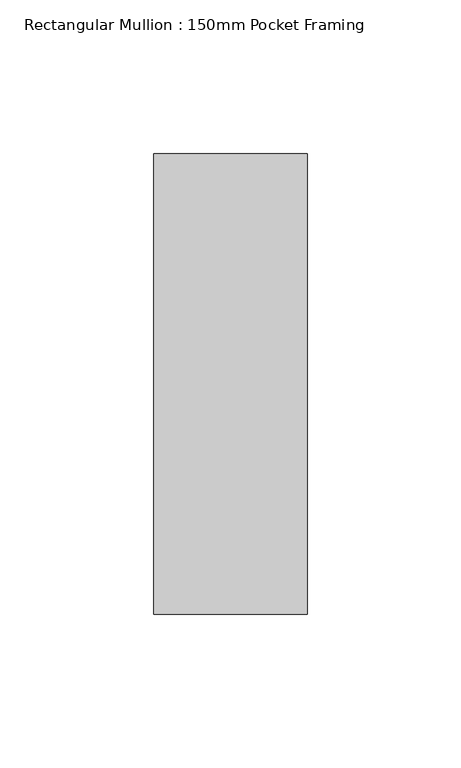
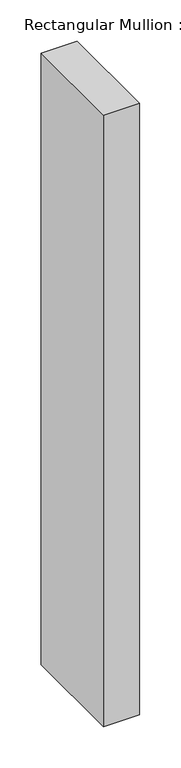
"""IFC4 building model written with IfcOpenShell, lengths in millimetres: member geometry, Rectangular Mullion : 150mm Pocket Framing."""

from ifc_helpers import new_model, si_unit, frame, origin, place, context, project, spatial, polyline, outline, extrude, source, transform, mapped, element, save


def rectangular_mullion_150mm_pocket_framing_35d6a770(model_context):
    return source(origin(), model_context, "Body", "SweptSolid", [
        extrude(outline(polyline([(0.0, 75.0), (0.0, -75.0), (-50.0, -75.0), (-50.0, 75.0), (0.0, 75.0)])), frame((0.0, 0.0, -900.0), z_axis=(0.0, 0.0, 1.0), x_axis=(1.0, 0.0, 0.0)), (0.0, 0.0, 1.0), 900.0),
    ])


if __name__ == "__main__":
    model = new_model("IFC4")
    model_context = context("Model", 3, world=origin())
    ifc_project = project(units=[si_unit("LENGTHUNIT", "METRE", prefix="MILLI")], contexts=[model_context])
    site = spatial("IfcSite", under=ifc_project)
    building = spatial("IfcBuilding", under=site)
    placement = place(None, origin())
    rectangular_mullion_150mm_pocket_framing_shape = rectangular_mullion_150mm_pocket_framing_35d6a770(model_context)
    element("IfcMember", 1, ObjectType="Rectangular Mullion : 150mm Pocket Framing", at=placement, inside=building, context=model_context, shape_type="MappedRepresentation", body=[
        mapped(rectangular_mullion_150mm_pocket_framing_shape, transform((0.0, 0.0, 0.0), x_axis=(1.0, 0.0, 0.0), y_axis=(0.0, 1.0, 0.0), z_axis=(0.0, 0.0, 1.0))),
    ])
    save(model, "model.ifc")
